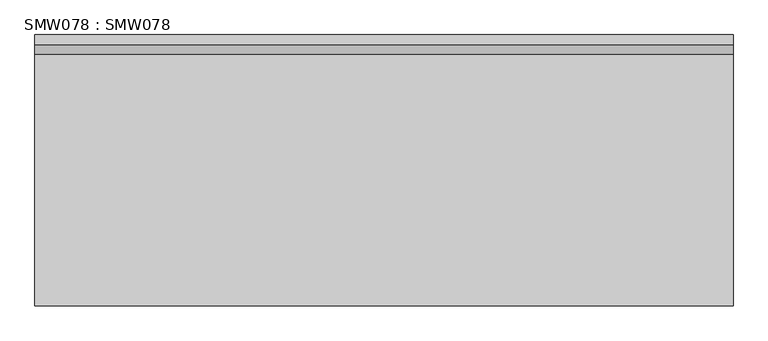
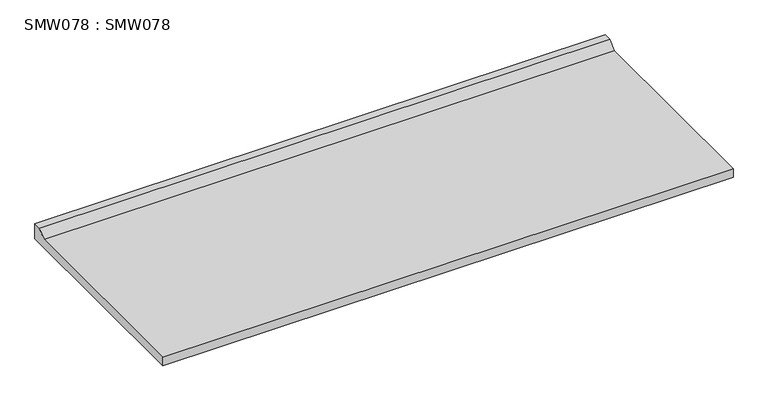
"""IFC4 building model written with IfcOpenShell, lengths in millimetres: proxy geometry, SMW078 : SMW078."""

from ifc_helpers import new_model, si_unit, frame, origin, place, context, project, spatial, polyline, outline, extrude, source, transform, mapped, element, save


def smw078_smw078_de1db0e4(model_context):
    return source(origin(), model_context, "Body", "SweptSolid", [
        extrude(outline(polyline([(-700.0000053, 0.0), (-700.0000053, 28.000001), (-50.0000004, 28.000001), (-25.0000002, 50.0000004), (0.0, 50.0000004), (0.0, 0.0), (-700.0000053, 0.0)])), frame((0.0, 0.0, 0.0), z_axis=(1.0, 0.0, 0.0), x_axis=(0.0, 1.0, 0.0)), (0.0, 0.0, 1.0), 1800.0000137),
    ])


if __name__ == "__main__":
    model = new_model("IFC4")
    model_context = context("Model", 3, world=origin())
    ifc_project = project(units=[si_unit("LENGTHUNIT", "METRE", prefix="MILLI")], contexts=[model_context])
    site = spatial("IfcSite", under=ifc_project)
    building = spatial("IfcBuilding", under=site)
    placement = place(None, origin())
    smw078_smw078_shape = smw078_smw078_de1db0e4(model_context)
    element("IfcBuildingElementProxy", 1, Name="SMW078 : SMW078", ObjectType="SMW078 : SMW078", at=placement, inside=building, context=model_context, shape_type="MappedRepresentation", body=[
        mapped(smw078_smw078_shape, transform((0.0, 0.0, 0.0), x_axis=(1.0, 0.0, 0.0), y_axis=(0.0, 1.0, 0.0), z_axis=(0.0, 0.0, 1.0))),
    ])
    save(model, "model.ifc")
